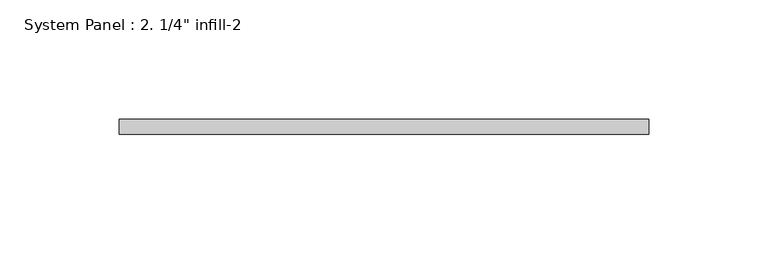
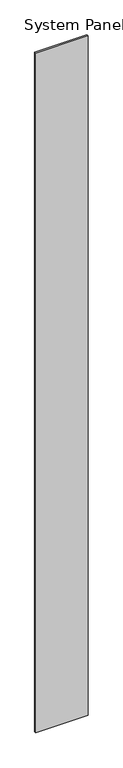
"""IFC4 building model written with IfcOpenShell, lengths in millimetres: plate geometry."""

from ifc_helpers import new_model, si_unit, origin, origin_with_axes, place, context, project, spatial, polyline, outline, extrude, source, transform, mapped, element, save


def plate_e9584215(model_context):
    return source(origin(), model_context, "Body", "SweptSolid", [
        extrude(outline(polyline([(111.125, 0.0), (-111.125, 0.0), (-111.125, 6.35), (111.125, 6.35), (111.125, 0.0)])), origin_with_axes(), (0.0, 0.0, 1.0), 3048.0),
    ])


if __name__ == "__main__":
    model = new_model("IFC4")
    model_context = context("Model", 3, world=origin())
    ifc_project = project(units=[si_unit("LENGTHUNIT", "METRE", prefix="MILLI")], contexts=[model_context])
    site = spatial("IfcSite", under=ifc_project)
    building = spatial("IfcBuilding", under=site)
    placement = place(None, origin())
    plate_shape = plate_e9584215(model_context)
    element("IfcPlate", 1, ObjectType="System Panel : 2. 1/4\" infill-2", at=placement, inside=building, context=model_context, shape_type="MappedRepresentation", body=[
        mapped(plate_shape, transform((0.0, 0.0, 0.0), x_axis=(1.0, 0.0, 0.0), y_axis=(0.0, 1.0, 0.0), z_axis=(0.0, 0.0, 1.0))),
    ])
    save(model, "model.ifc")
